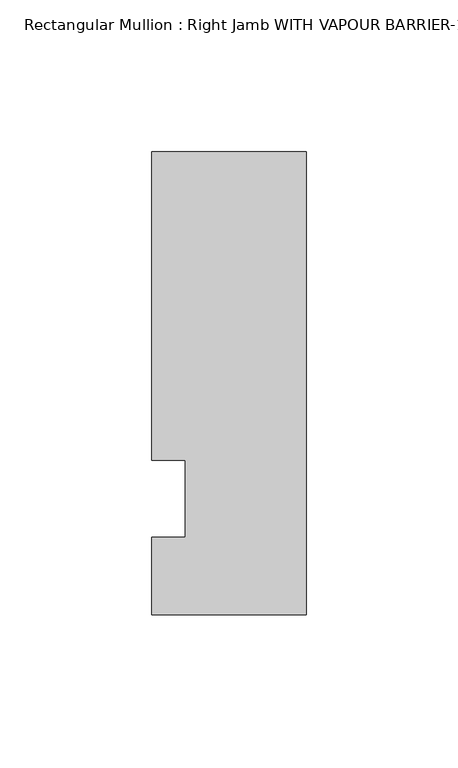
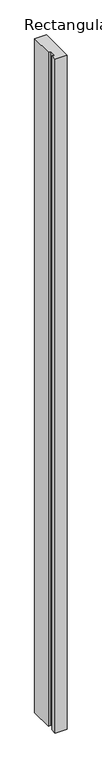
"""IFC4 building model written with IfcOpenShell, lengths in millimetres: member geometry."""

from ifc_helpers import new_model, si_unit, frame, origin, place, context, project, spatial, polyline, outline, extrude, source, transform, mapped, element, save


def member_e1c64d69(model_context):
    return source(origin(), model_context, "Body", "SweptSolid", [
        extrude(outline(polyline([(-50.8, 127.0), (0.0, 127.0), (0.0, -25.4), (-50.8, -25.4), (-50.8, 0.0), (-39.8272, 0.0), (-39.8272, 25.4), (-50.8, 25.4), (-50.8, 127.0)])), frame((0.0, 0.0, -3048.0), z_axis=(0.0, 0.0, 1.0), x_axis=(1.0, 0.0, 0.0)), (0.0, 0.0, 1.0), 3048.0),
    ])


if __name__ == "__main__":
    model = new_model("IFC4")
    model_context = context("Model", 3, world=origin())
    ifc_project = project(units=[si_unit("LENGTHUNIT", "METRE", prefix="MILLI")], contexts=[model_context])
    site = spatial("IfcSite", under=ifc_project)
    building = spatial("IfcBuilding", under=site)
    placement = place(None, origin())
    member_shape = member_e1c64d69(model_context)
    element("IfcMember", 1, ObjectType="Rectangular Mullion : Right Jamb WITH VAPOUR BARRIER-1/4\" INFILL MODEL", at=placement, inside=building, context=model_context, shape_type="MappedRepresentation", body=[
        mapped(member_shape, transform((0.0, 0.0, 0.0), x_axis=(1.0, 0.0, 0.0), y_axis=(0.0, 1.0, 0.0), z_axis=(0.0, 0.0, 1.0))),
    ])
    save(model, "model.ifc")
